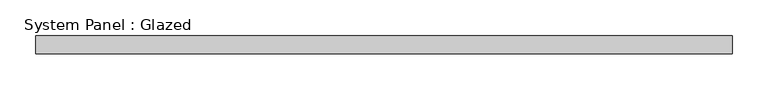
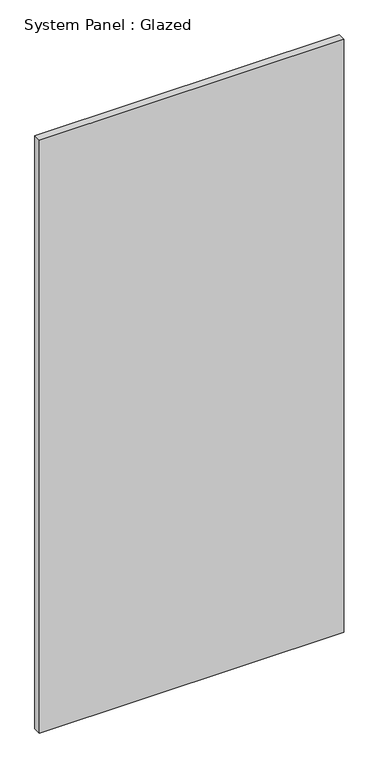
"""IFC4 building model written with IfcOpenShell, lengths in millimetres: plate geometry, System Panel : Glazed."""

from ifc_helpers import new_model, si_unit, origin, origin_with_axes, place, context, project, spatial, polyline, outline, extrude, source, transform, mapped, element, save


def system_panel_glazed_9a8986c0(model_context):
    return source(origin(), model_context, "Body", "SweptSolid", [
        extrude(outline(polyline([(485.3387176, 24.5), (-485.3387176, 24.5), (-485.3387176, 49.5), (485.3387176, 49.5), (485.3387176, 24.5)])), origin_with_axes(), (0.0, 0.0, 1.0), 2000.0),
    ])


if __name__ == "__main__":
    model = new_model("IFC4")
    model_context = context("Model", 3, world=origin())
    ifc_project = project(units=[si_unit("LENGTHUNIT", "METRE", prefix="MILLI")], contexts=[model_context])
    site = spatial("IfcSite", under=ifc_project)
    building = spatial("IfcBuilding", under=site)
    placement = place(None, origin())
    system_panel_glazed_shape = system_panel_glazed_9a8986c0(model_context)
    element("IfcPlate", 1, ObjectType="System Panel : Glazed", at=placement, inside=building, context=model_context, shape_type="MappedRepresentation", body=[
        mapped(system_panel_glazed_shape, transform((0.0, 0.0, 0.0), x_axis=(1.0, 0.0, 0.0), y_axis=(0.0, 1.0, 0.0), z_axis=(0.0, 0.0, 1.0))),
    ])
    save(model, "model.ifc")
